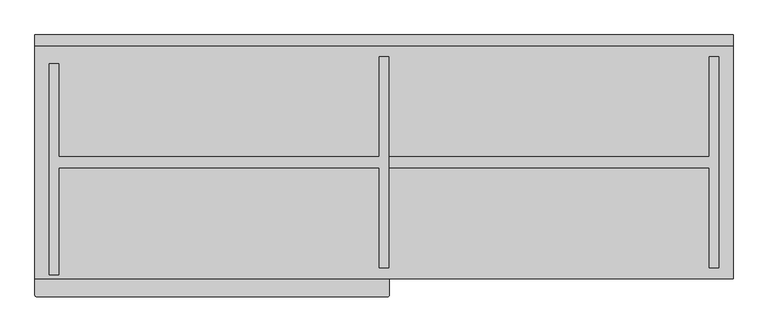
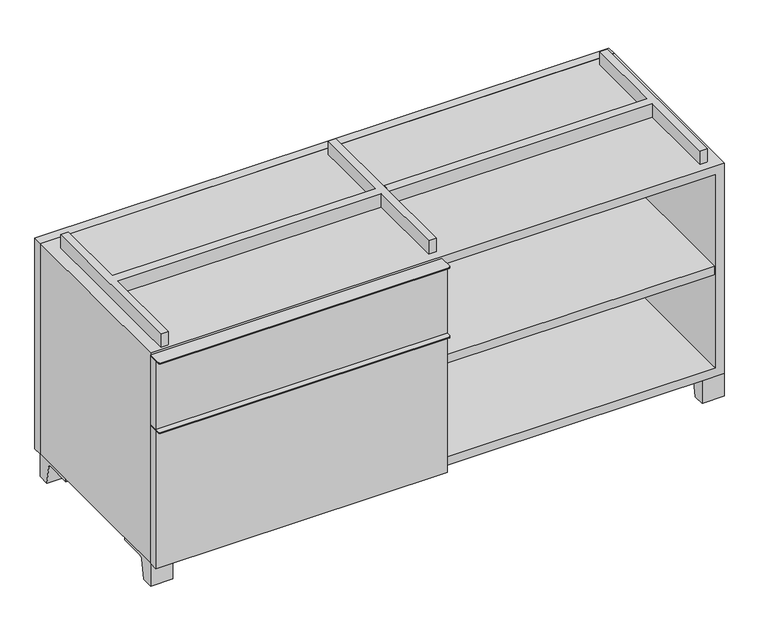
"""IFC4 building model written with IfcOpenShell, lengths in millimetres: furniture geometry."""

from ifc_helpers import new_model, si_unit, point, frame, frame_2d, origin, place, context, project, spatial, polyline, circle_curve, trimmed, segment, composite_curve, outline, extrude, source, transform, mapped, element, save


def furniture_42c06cd1(model_context):
    return source(origin(), model_context, "Body", "SweptSolid", [
        extrude(outline(polyline([(-9.5111094, 234.95), (-9.5111094, -136.525), (-590.5361094, -136.525), (-590.5361094, 234.95), (-9.5111094, 234.95)])), frame((0.0, 0.0, 354.0125), z_axis=(0.0, 0.0, 1.0), x_axis=(1.0, 0.0, 0.0)), (0.0, 0.0, 1.0), 19.05),
        extrude(outline(composite_curve([segment(polyline([(9.5388906, -139.7), (9.5388906, -168.275)]), True, "CONTINUOUS"), segment(trimmed(circle_curve(frame_2d((6.3638906, -168.275)), 3.175), [point((9.5388906, -168.275))], [point((6.3638906, -171.45))], False, "CARTESIAN"), True, "CONTINUOUS"), segment(polyline([(6.3638906, -171.45), (-606.4111094, -171.45)]), True, "CONTINUOUS"), segment(trimmed(circle_curve(frame_2d((-606.4111094, -168.275)), 3.175), [point((-606.4111094, -171.45))], [point((-609.5861094, -168.275))], False, "CARTESIAN"), True, "CONTINUOUS"), segment(polyline([(-609.5861094, -168.275), (-609.5861094, -139.7), (9.5388906, -139.7)]), True, "CONTINUOUS")], self_intersect=False)), frame((0.0, 0.0, 517.525), z_axis=(0.0, 0.0, 1.0), x_axis=(1.0, 0.0, 0.0)), (0.0, 0.0, 1.0), 2.38125),
        extrude(outline(polyline([(9.5388906, -139.7), (9.5388906, -158.75), (-609.5861094, -158.75), (-609.5861094, -139.7), (9.5388906, -139.7)])), frame((0.0, 0.0, 363.5375), z_axis=(0.0, 0.0, 1.0), x_axis=(1.0, 0.0, 0.0)), (0.0, 0.0, 1.0), 153.9875),
        extrude(outline(composite_curve([segment(polyline([(9.5388906, -139.7), (9.5388906, -168.275)]), True, "CONTINUOUS"), segment(trimmed(circle_curve(frame_2d((6.3638906, -168.275)), 3.175), [point((9.5388906, -168.275))], [point((6.3638906, -171.45))], False, "CARTESIAN"), True, "CONTINUOUS"), segment(polyline([(6.3638906, -171.45), (-606.4111094, -171.45)]), True, "CONTINUOUS"), segment(trimmed(circle_curve(frame_2d((-606.4111094, -168.275)), 3.175), [point((-606.4111094, -171.45))], [point((-609.5861094, -168.275))], False, "CARTESIAN"), True, "CONTINUOUS"), segment(polyline([(-609.5861094, -168.275), (-609.5861094, -139.7), (9.5388906, -139.7)]), True, "CONTINUOUS")], self_intersect=False)), frame((0.0, 0.0, 361.15625), z_axis=(0.0, 0.0, 1.0), x_axis=(1.0, 0.0, 0.0)), (0.0, 0.0, 1.0), 2.38125),
        extrude(outline(polyline([(9.5388906, -139.7), (9.5388906, -158.75), (-609.5861094, -158.75), (-609.5861094, -139.7), (9.5388906, -139.7)])), frame((0.0, 0.0, 50.8), z_axis=(0.0, 0.0, 1.0), x_axis=(1.0, 0.0, 0.0)), (0.0, 0.0, 1.0), 310.35625),
        extrude(outline(polyline([(590.5569453, 234.95), (590.5569453, -136.525), (9.5319453, -136.525), (9.5319453, 234.95), (590.5569453, 234.95)])), frame((0.0, 0.0, 277.8125), z_axis=(0.0, 0.0, 1.0), x_axis=(1.0, 0.0, 0.0)), (0.0, 0.0, 1.0), 19.05),
        extrude(outline(composite_curve([segment(polyline([(-114.3000136, 0.0), (-139.7, 0.0), (-139.7, 50.8), (-44.45, 50.8), (-44.45, 46.0213321), (-101.2505345, 46.0213321)]), True, "CONTINUOUS"), segment(trimmed(circle_curve(frame_2d((-101.2505345, 39.6713321)), 6.35), [point((-101.2505345, 46.0213321))], [point((-107.5141359, 40.7152656))], True, "CARTESIAN"), True, "CONTINUOUS"), segment(polyline([(-107.5141359, 40.7152656), (-114.3000136, 0.0)]), True, "CONTINUOUS")], self_intersect=False)), frame((561.9888906, 0.0, 0.0), z_axis=(1.0, 0.0, 0.0), x_axis=(0.0, 1.0, 0.0)), (0.0, 0.0, 1.0), 47.625),
        extrude(outline(composite_curve([segment(polyline([(241.3000136, 0.0), (234.5141359, 40.7152656)]), True, "CONTINUOUS"), segment(trimmed(circle_curve(frame_2d((228.2505345, 39.6713321)), 6.35), [point((234.5141359, 40.7152656))], [point((228.2505345, 46.0213321))], True, "CARTESIAN"), True, "CONTINUOUS"), segment(polyline([(228.2505345, 46.0213321), (171.45, 46.0213321), (171.45, 50.8), (266.7, 50.8), (266.7, 0.0), (241.3000136, 0.0)]), True, "CONTINUOUS")], self_intersect=False)), frame((561.9888906, 0.0, 0.0), z_axis=(1.0, 0.0, 0.0), x_axis=(0.0, 1.0, 0.0)), (0.0, 0.0, 1.0), 47.625),
        extrude(outline(composite_curve([segment(polyline([(-114.3000136, 0.0), (-139.7, 0.0), (-139.7, 50.8), (-44.45, 50.8), (-44.45, 46.0213321), (-101.2505345, 46.0213321)]), True, "CONTINUOUS"), segment(trimmed(circle_curve(frame_2d((-101.2505345, 39.6713321)), 6.35), [point((-101.2505345, 46.0213321))], [point((-107.5141359, 40.7152656))], True, "CARTESIAN"), True, "CONTINUOUS"), segment(polyline([(-107.5141359, 40.7152656), (-114.3000136, 0.0)]), True, "CONTINUOUS")], self_intersect=False)), frame((-609.5861094, 0.0, 0.0), z_axis=(1.0, 0.0, 0.0), x_axis=(0.0, 1.0, 0.0)), (0.0, 0.0, 1.0), 47.625),
        extrude(outline(composite_curve([segment(polyline([(241.3000136, 0.0), (234.5141359, 40.7152656)]), True, "CONTINUOUS"), segment(trimmed(circle_curve(frame_2d((228.2505345, 39.6713321)), 6.35), [point((234.5141359, 40.7152656))], [point((228.2505345, 46.0213321))], True, "CARTESIAN"), True, "CONTINUOUS"), segment(polyline([(228.2505345, 46.0213321), (171.45, 46.0213321), (171.45, 50.8), (266.7, 50.8), (266.7, 0.0), (241.3000136, 0.0)]), True, "CONTINUOUS")], self_intersect=False)), frame((-609.5861094, 0.0, 0.0), z_axis=(1.0, 0.0, 0.0), x_axis=(0.0, 1.0, 0.0)), (0.0, 0.0, 1.0), 47.625),
        extrude(outline(polyline([(-584.1791641, -133.35), (-584.1791641, 234.95), (-568.3041641, 234.95), (-568.3041641, 73.025), (-7.9236094, 73.025), (-7.9236094, 247.65), (7.9513906, 247.65), (7.9513906, -120.65), (-7.9236094, -120.65), (-7.9236094, 53.975), (-568.3041641, 53.975), (-568.3041641, -133.35), (-584.1791641, -133.35)])), frame((0.0, 0.0, 523.875), z_axis=(0.0, 0.0, 1.0), x_axis=(1.0, 0.0, 0.0)), (0.0, 0.0, 1.0), 30.1625),
        extrude(outline(polyline([(9.5388906, 73.025), (568.3111094, 73.025), (568.3111094, 247.65), (584.1861094, 247.65), (584.1861094, -120.65), (568.3111094, -120.65), (568.3111094, 53.975), (9.5388906, 53.975), (9.5388906, 73.025)])), frame((0.0, 0.0, 523.875), z_axis=(0.0, 0.0, 1.0), x_axis=(1.0, 0.0, 0.0)), (0.0, 0.0, 1.0), 30.1625),
        extrude(outline(polyline([(9.5388906, 234.95), (9.5388906, -139.7), (-9.5111094, -139.7), (-9.5111094, 234.95), (9.5388906, 234.95)])), frame((0.0, 0.0, 69.85), z_axis=(0.0, 0.0, 1.0), x_axis=(1.0, 0.0, 0.0)), (0.0, 0.0, 1.0), 434.975),
        extrude(outline(polyline([(609.6138906, 266.7), (-609.5861094, 266.7), (-609.5861094, 285.75), (609.6138906, 285.75), (609.6138906, 266.7)])), frame((0.0, 0.0, 50.8), z_axis=(0.0, 0.0, 1.0), x_axis=(1.0, 0.0, 0.0)), (0.0, 0.0, 1.0), 473.075),
        extrude(outline(polyline([(50.8, -609.5861094), (50.8, 609.6), (523.875, 609.6), (523.875, -609.5861094), (50.8, -609.5861094)]), holes=[polyline([(69.85, -590.5361094), (504.825, -590.5361094), (504.825, 590.5361094), (69.85, 590.5361094), (69.85, -590.5361094)])]), frame((0.0, -139.7, 0.0), z_axis=(0.0, 1.0, 0.0), x_axis=(0.0, 0.0, 1.0)), (0.0, 0.0, 1.0), 406.4),
        extrude(outline(polyline([(-590.5291641, 234.95), (-590.5291641, 241.3), (590.5569453, 241.3), (590.5569453, 234.95), (-590.5291641, 234.95)])), frame((0.0, 0.0, 69.85), z_axis=(0.0, 0.0, 1.0), x_axis=(1.0, 0.0, 0.0)), (0.0, 0.0, 1.0), 434.975),
    ])


if __name__ == "__main__":
    model = new_model("IFC4")
    model_context = context("Model", 3, world=origin())
    ifc_project = project(units=[si_unit("LENGTHUNIT", "METRE", prefix="MILLI")], contexts=[model_context])
    site = spatial("IfcSite", under=ifc_project)
    building = spatial("IfcBuilding", under=site)
    placement = place(None, origin())
    furniture_shape = furniture_42c06cd1(model_context)
    element("IfcFurniture", 1, at=placement, inside=building, context=model_context, shape_type="MappedRepresentation", body=[
        mapped(furniture_shape, transform((0.0, 0.0, 0.0), x_axis=(1.0, 0.0, 0.0), y_axis=(0.0, 1.0, 0.0), z_axis=(0.0, 0.0, 1.0))),
    ])
    save(model, "model.ifc")
